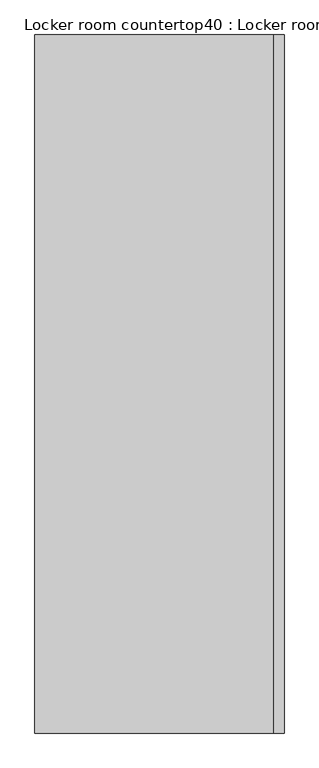
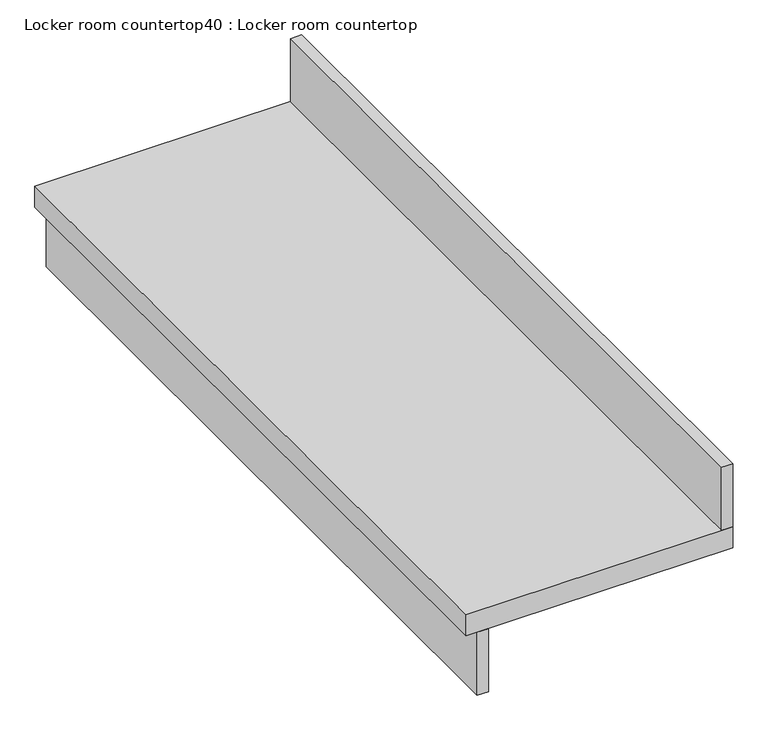
"""IFC4 building model written with IfcOpenShell, lengths in millimetres: furniture geometry, Locker room countertop40 : Locker room countertop."""

from ifc_helpers import new_model, si_unit, frame, origin, place, context, project, spatial, polyline, outline, extrude, source, transform, mapped, element, save


def locker_room_countertop40_locker_room_countertop_e13c3cde(model_context):
    return source(origin(), model_context, "Body", "SweptSolid", [
        extrude(outline(polyline([(112221.7967613, -125967.5202671), (112221.7967613, -124259.3702671), (112247.1967613, -124259.3702671), (112247.1967613, -125967.5202671), (112221.7967613, -125967.5202671)])), frame((0.0, 0.0, 660.4), z_axis=(0.0, 0.0, 1.0), x_axis=(1.0, 0.0, 0.0)), (0.0, 0.0, 1.0), 152.4),
        extrude(outline(polyline([(112780.5967613, -124259.3702671), (112805.9967613, -124259.3702671), (112805.9967613, -125967.5202671), (112780.5967613, -125967.5202671), (112780.5967613, -124259.3702671)])), frame((0.0, 0.0, 863.6), z_axis=(0.0, 0.0, 1.0), x_axis=(1.0, 0.0, 0.0)), (0.0, 0.0, 1.0), 152.4),
        extrude(outline(polyline([(112196.3967613, -124259.3702671), (112805.9967613, -124259.3702671), (112805.9967613, -125967.5202671), (112196.3967613, -125967.5202671), (112196.3967613, -124259.3702671)])), frame((0.0, 0.0, 812.8), z_axis=(0.0, 0.0, 1.0), x_axis=(1.0, 0.0, 0.0)), (0.0, 0.0, 1.0), 50.8),
    ])


if __name__ == "__main__":
    model = new_model("IFC4")
    model_context = context("Model", 3, world=origin())
    ifc_project = project(units=[si_unit("LENGTHUNIT", "METRE", prefix="MILLI")], contexts=[model_context])
    site = spatial("IfcSite", under=ifc_project)
    building = spatial("IfcBuilding", under=site)
    placement = place(None, origin())
    locker_room_countertop40_locker_room_countertop_shape = locker_room_countertop40_locker_room_countertop_e13c3cde(model_context)
    element("IfcFurniture", 1, ObjectType="Locker room countertop40 : Locker room countertop", at=placement, inside=building, context=model_context, shape_type="MappedRepresentation", body=[
        mapped(locker_room_countertop40_locker_room_countertop_shape, transform((0.0, 0.0, 0.0), x_axis=(1.0, 0.0, 0.0), y_axis=(0.0, 1.0, 0.0), z_axis=(0.0, 0.0, 1.0))),
    ])
    save(model, "model.ifc")
